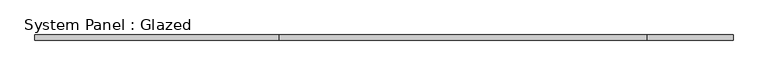
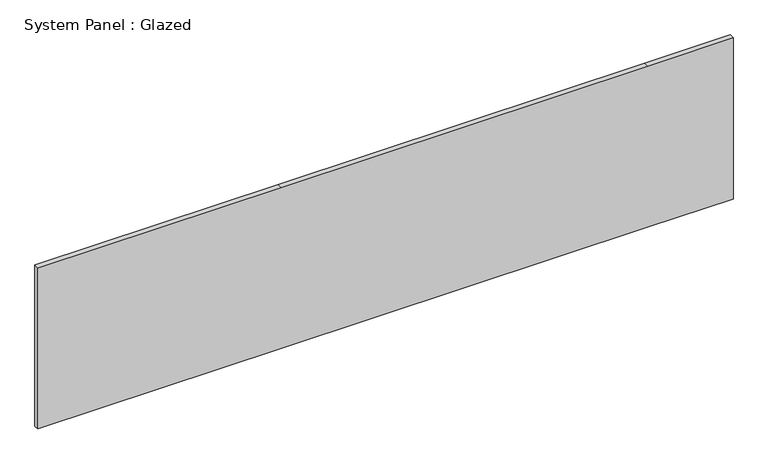
"""IFC4 building model written with IfcOpenShell, lengths in millimetres: plate geometry, System Panel : Glazed."""

import ifcopenshell
import ifcopenshell.guid

model = None  # the IFC model being written
_history = None  # IfcOwnerHistory: only IFC2X3 demands one
_inside = {}  # id of a spatial element -> (the spatial element, [elements in it])
_under = {}  # id of a project, library or spatial element -> (it, [spatial elements below it])
_declared = {}  # id of a project -> (the project, [libraries it declares])
_typed = {}  # id of a type object -> (the type object, [elements of that type])
_made_of = {}  # id of a material, layer set ... -> (it, [elements and type objects made of it])


def new_model(schema):
    """Start an empty IFC model of exactly this schema.

    Asked for "IFC4X3", IfcOpenShell would pick the latest addendum, in which some entities
    have other attributes; the version numbers below select the first issue.
    IFC2X3 requires an IfcOwnerHistory on every rooted entity: one is made here for all.
    """
    global model, _history
    if schema == "IFC4X3":
        model = ifcopenshell.file(schema_version=(4, 3, 0, 0))
    else:
        model = ifcopenshell.file(schema=schema)
    _inside.clear()
    _under.clear()
    _declared.clear()
    _typed.clear()
    _made_of.clear()
    _history = None
    if model.schema == "IFC2X3":
        org = make("IfcOrganization", Name="unknown")
        user = make(
            "IfcPersonAndOrganization",
            ThePerson=make("IfcPerson", FamilyName="unknown"),
            TheOrganization=org,
        )
        app = make(
            "IfcApplication",
            ApplicationDeveloper=org,
            Version="unknown",
            ApplicationFullName="unknown",
            ApplicationIdentifier="unknown",
        )
        _history = make(
            "IfcOwnerHistory",
            OwningUser=user,
            OwningApplication=app,
            ChangeAction="ADDED",
            CreationDate=0,
        )
    return model


def make(cls, **values):
    """One entity of the class cls with the attributes given. An attribute that is None is left unset."""
    return model.create_entity(
        cls, **{name: value for name, value in values.items() if value is not None}
    )


def rooted(cls, **values):
    """An entity with a GlobalId (a new one), such as an element, a storey or a relation."""
    return make(cls, GlobalId=ifcopenshell.guid.new(), OwnerHistory=_history, **values)


def si_unit(unit_type, name, prefix=None):
    """IfcSIUnit, for example si_unit("LENGTHUNIT", "METRE", prefix="MILLI")."""
    return make("IfcSIUnit", UnitType=unit_type, Prefix=prefix, Name=name)


def assignment(units):
    """IfcUnitAssignment: the units of a project."""
    return None if units is None else make("IfcUnitAssignment", Units=units)


def point(xyz):
    """IfcCartesianPoint."""
    return None if xyz is None else make("IfcCartesianPoint", Coordinates=xyz)


def direction(xyz):
    """IfcDirection."""
    return None if xyz is None else make("IfcDirection", DirectionRatios=xyz)


def frame(location, z_axis=None, x_axis=None):
    """IfcAxis2Placement3D, a coordinate frame: its origin and axes. An axis left out is left unset."""
    return make(
        "IfcAxis2Placement3D",
        Location=point(location),
        Axis=direction(z_axis),
        RefDirection=direction(x_axis),
    )


def origin():
    """The frame at (0, 0, 0) with its axes left unset."""
    return frame((0.0, 0.0, 0.0))


def place(relative_to, where):
    """IfcLocalPlacement: puts the frame where relative to a parent placement (None: the world)."""
    return make(
        "IfcLocalPlacement", PlacementRelTo=relative_to, RelativePlacement=where
    )


def context(
    kind, dimensions, precision=None, world=None, true_north=None, identifier=None
):
    """IfcGeometricRepresentationContext, for example the 3D "Model" context."""
    return make(
        "IfcGeometricRepresentationContext",
        ContextIdentifier=identifier,
        ContextType=kind,
        CoordinateSpaceDimension=dimensions,
        Precision=precision,
        WorldCoordinateSystem=world,
        TrueNorth=true_north,
    )


def project(units=None, contexts=None):
    """IfcProject with its units and contexts."""
    return rooted(
        "IfcProject",
        Name="project",
        RepresentationContexts=contexts,
        UnitsInContext=assignment(units),
    )


def spatial(cls, under=None, at=None, **own):
    """A site, building, storey or space (cls), placed at a placement, below another one or the project."""
    s = rooted(cls, ObjectPlacement=at, **own)
    if under is not None:
        _under.setdefault(under.id(), (under, []))[1].append(s)
    return s


def polyline(points):
    """IfcPolyline through the points."""
    return make("IfcPolyline", Points=[point(p) for p in points])


def outline(outer, holes=None, kind="AREA"):
    """IfcArbitraryClosedProfileDef: a profile drawn as a closed curve; with holes, ...WithVoids."""
    if holes is None:
        return make("IfcArbitraryClosedProfileDef", ProfileType=kind, OuterCurve=outer)
    return make(
        "IfcArbitraryProfileDefWithVoids",
        ProfileType=kind,
        OuterCurve=outer,
        InnerCurves=holes,
    )


def extrude(swept, where, along, depth):
    """IfcExtrudedAreaSolid: the profile swept, set in the frame where, extruded along a direction by depth."""
    return make(
        "IfcExtrudedAreaSolid",
        SweptArea=swept,
        Position=where,
        ExtrudedDirection=direction(along),
        Depth=depth,
    )


def shape(context_of_items, identifier, shape_type, items):
    """IfcShapeRepresentation: the items that make up one representation, for example the "Body"."""
    return make(
        "IfcShapeRepresentation",
        ContextOfItems=context_of_items,
        RepresentationIdentifier=identifier,
        RepresentationType=shape_type,
        Items=items,
    )


def source(mapping_origin, context_of_items, identifier, shape_type, items):
    """IfcRepresentationMap: a shape defined once, which mapped items show again and again."""
    return make(
        "IfcRepresentationMap",
        MappingOrigin=mapping_origin,
        MappedRepresentation=shape(context_of_items, identifier, shape_type, items),
    )


def transform(
    local_origin,
    x_axis=None,
    y_axis=None,
    z_axis=None,
    scale=None,
    scale2=None,
    scale3=None,
    uniform=True,
):
    """IfcCartesianTransformationOperator3D, or its non-uniform kind. x_axis, y_axis, z_axis: its Axis1, 2, 3."""
    if uniform:
        return make(
            "IfcCartesianTransformationOperator3D",
            Axis1=direction(x_axis),
            Axis2=direction(y_axis),
            LocalOrigin=point(local_origin),
            Scale=scale,
            Axis3=direction(z_axis),
        )
    return make(
        "IfcCartesianTransformationOperator3DnonUniform",
        Axis1=direction(x_axis),
        Axis2=direction(y_axis),
        LocalOrigin=point(local_origin),
        Scale=scale,
        Axis3=direction(z_axis),
        Scale2=scale2,
        Scale3=scale3,
    )


def mapped(mapping_source, mapping_target):
    """IfcMappedItem: shows the shape of a source again, moved by a transform."""
    return make(
        "IfcMappedItem", MappingSource=mapping_source, MappingTarget=mapping_target
    )


def made_of(thing, what):
    """Note that an element or type object is made of a material, layer set ...; save() writes the relation."""
    if what is not None:
        _made_of.setdefault(what.id(), (what, []))[1].append(thing)
    return thing


def element(
    cls,
    number,
    at=None,
    inside=None,
    cuts=None,
    type_object=None,
    material=None,
    context=None,
    identifier="Body",
    shape_type=None,
    held_by="IfcProductDefinitionShape",
    body=None,
    shapes=None,
    **own,
):
    """One element of the class cls, such as IfcWall. Its Tag is "e" and its number.

    at: its placement. inside: the storey or other place that contains it. cuts: it is an
    opening in that element (IfcRelVoidsElement). A single representation is given by context,
    identifier, shape_type and body (its items); several are given by shapes. held_by: the class
    of the entity that holds the representations. save() writes the other relations.
    """
    e = rooted(cls, Tag="e%d" % number, ObjectPlacement=at, **own)
    if body is not None:
        shapes = [shape(context, identifier, shape_type, body)]
    if shapes is not None:
        e.Representation = make(held_by, Representations=shapes)
    if inside is not None:
        _inside.setdefault(inside.id(), (inside, []))[1].append(e)
    if cuts is not None:
        rooted(
            "IfcRelVoidsElement", RelatingBuildingElement=cuts, RelatedOpeningElement=e
        )
    if type_object is not None:
        _typed.setdefault(type_object.id(), (type_object, []))[1].append(e)
    return made_of(e, material)


def aggregate(whole, parts):
    """IfcRelAggregates: a whole, such as a stair, and the parts it consists of."""
    return rooted("IfcRelAggregates", RelatingObject=whole, RelatedObjects=parts)


def save(model, path):
    """Write the relations noted so far, then the file.

    IfcRelAggregates (storeys below a building ...), IfcRelContainedInSpatialStructure (elements
    in a storey), IfcRelDefinesByType, IfcRelAssociatesMaterial and IfcRelDeclares: one each for
    every whole, place, type object, material and project.
    """
    for whole, parts in _under.values():
        aggregate(whole, parts)
    for where, things in _inside.values():
        rooted(
            "IfcRelContainedInSpatialStructure",
            RelatedElements=things,
            RelatingStructure=where,
        )
    for kind, things in _typed.values():
        rooted("IfcRelDefinesByType", RelatedObjects=things, RelatingType=kind)
    for what, things in _made_of.values():
        rooted("IfcRelAssociatesMaterial", RelatedObjects=things, RelatingMaterial=what)
    for by, libraries in _declared.values():
        rooted("IfcRelDeclares", RelatingContext=by, RelatedDefinitions=libraries)
    model.write(path)


def system_panel_glazed_f9cc47fb(model_context):
    return source(origin(), model_context, "Body", "SweptSolid", [
        extrude(outline(polyline([(0.0, -1733.3575378), (0.0, -520.8924622), (0.0, 1307.9075378), (0.0, 1733.3575378), (850.9, 1733.3575378), (850.9, 1307.9075378), (850.9, -520.8924622), (850.9, -1733.3575378), (0.0, -1733.3575378)])), frame((0.0, 19.05, 0.0), z_axis=(0.0, 1.0, 0.0), x_axis=(0.0, 0.0, 1.0)), (0.0, 0.0, 1.0), 25.4),
    ])


if __name__ == "__main__":
    model = new_model("IFC4")
    model_context = context("Model", 3, world=origin())
    ifc_project = project(units=[si_unit("LENGTHUNIT", "METRE", prefix="MILLI")], contexts=[model_context])
    site = spatial("IfcSite", under=ifc_project)
    building = spatial("IfcBuilding", under=site)
    placement = place(None, origin())
    system_panel_glazed_shape = system_panel_glazed_f9cc47fb(model_context)
    element("IfcPlate", 1, ObjectType="System Panel : Glazed", at=placement, inside=building, context=model_context, shape_type="MappedRepresentation", body=[
        mapped(system_panel_glazed_shape, transform((0.0, 0.0, 0.0), x_axis=(1.0, 0.0, 0.0), y_axis=(0.0, 1.0, 0.0), z_axis=(0.0, 0.0, 1.0))),
    ])
    save(model, "model.ifc")
